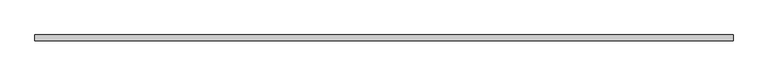
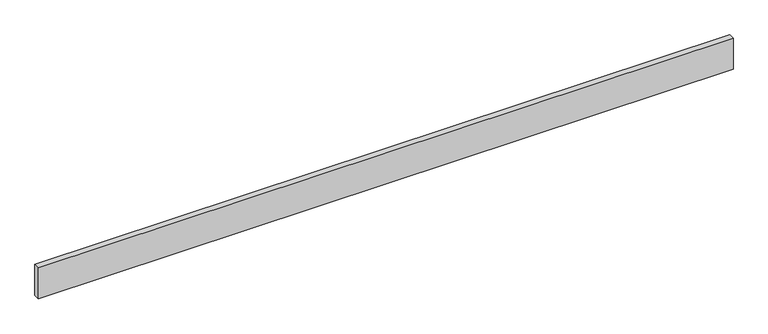
"""IFC4 building model written with IfcOpenShell, lengths in millimetres: beam geometry."""

from ifc_helpers import new_model, si_unit, frame, origin, place, context, project, spatial, polyline, outline, extrude, source, transform, mapped, element, save


def beam_44743965(model_context):
    return source(origin(), model_context, "Body", "SweptSolid", [
        extrude(outline(polyline([(2133.6, -18.0), (-2133.6, -18.0), (-2133.6, 18.0), (2133.6, 18.0), (2133.6, -18.0)])), frame((0.0, 0.0, -100.0), z_axis=(0.0, 0.0, 1.0), x_axis=(1.0, 0.0, 0.0)), (0.0, 0.0, 1.0), 200.0),
    ])


if __name__ == "__main__":
    model = new_model("IFC4")
    model_context = context("Model", 3, world=origin())
    ifc_project = project(units=[si_unit("LENGTHUNIT", "METRE", prefix="MILLI")], contexts=[model_context])
    site = spatial("IfcSite", under=ifc_project)
    building = spatial("IfcBuilding", under=site)
    placement = place(None, origin())
    beam_shape = beam_44743965(model_context)
    element("IfcBeam", 1, at=placement, inside=building, context=model_context, shape_type="MappedRepresentation", body=[
        mapped(beam_shape, transform((0.0, 0.0, 0.0), x_axis=(1.0, 0.0, 0.0), y_axis=(0.0, 1.0, 0.0), z_axis=(0.0, 0.0, 1.0))),
    ])
    save(model, "model.ifc")
